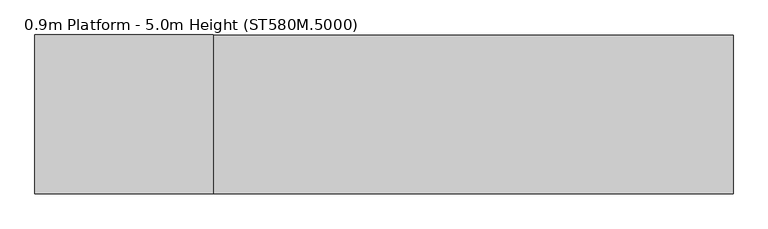
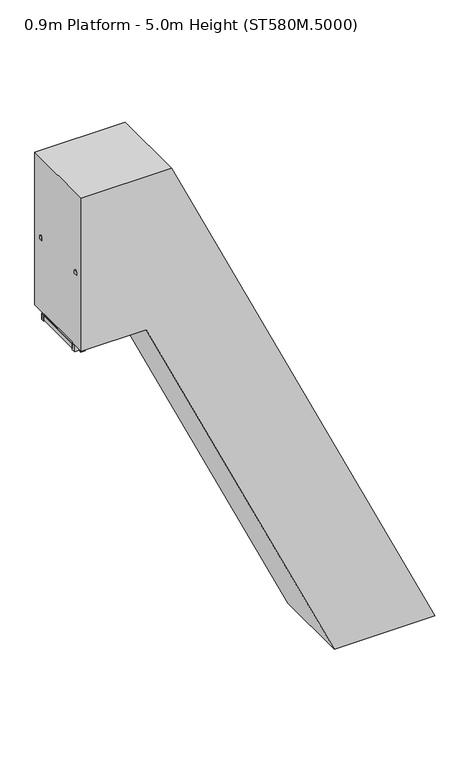
"""IFC4 building model written with IfcOpenShell, lengths in millimetres: proxy geometry, 0.9m Platform - 5.0m Height (ST580M.5000)."""

from ifc_helpers import new_model, si_unit, point, frame, frame_2d, origin, origin_with_axes, place, context, project, spatial, polyline, circle_curve, ellipse_curve, trimmed, segment, composite_curve, outline, extrude, source, transform, mapped, element, save
from ifc_brep_helpers import plane_surface, cylinder_surface, advanced_brep


def proxy_0_9m_platform_5_0m_height_st580m_5000_c4b844a8(model_context):
    return source(origin(), model_context, "Body", "SolidModel", [
        advanced_brep(
        [(-556.8328319, 372.0, 5942.0), (-556.8328319, 372.0, 5987.0), (-544.1016939, 372.0, 5942.0), (-515.4337404, 372.0, 5987.0), (-513.5569732, 372.0, 5876.4977609), (-472.773248, 372.0, 5895.5158512)],
        [
            (0, 1, circle_curve(frame((-556.8328319, 372.0, 5964.5), z_axis=(-1.0, 0.0, 0.0), x_axis=(0.0, 0.0, 1.0)), 22.5)),
            (1, 0, circle_curve(frame((-556.8328319, 372.0, 5964.5), z_axis=(-1.0, 0.0, 0.0), x_axis=(0.0, 0.0, 1.0)), 22.5)),
            (0, 2),
            (2, 3, ellipse_curve(frame((-529.7677171, 372.0, 5964.5), z_axis=(-0.843393214358278, 0.0, 0.5372968322765472), x_axis=(-0.5372968322765467, 0.0, -0.8433932143582782)), 26.6779476, 22.5)),
            (3, 1),
            (3, 2, ellipse_curve(frame((-529.7677171, 372.0, 5964.5), z_axis=(-0.843393214358278, 0.0, 0.5372968322765472), x_axis=(-0.5372968322765467, 0.0, -0.8433932143582782)), 26.6779476, 22.5)),
            (4, 5, circle_curve(frame((-493.1651106, 372.0, 5886.0068061), z_axis=(0.42262422805117583, 0.0, -0.9063050048764751), x_axis=(0.9063050048764751, 0.0, 0.42262422805117583)), 22.5)),
            (5, 4, circle_curve(frame((-493.1651106, 372.0, 5886.0068061), z_axis=(0.42262422805117583, 0.0, -0.9063050048764751), x_axis=(0.9063050048764751, 0.0, 0.42262422805117583)), 22.5)),
            (2, 4),
            (5, 3),
        ],
        [
            plane_surface(frame((-556.8328319, 0.0, 5987.0), z_axis=(-1.0, 0.0, 0.0), x_axis=(0.0, -1.0, 0.0))),
            cylinder_surface(frame((-556.8328319, 372.0, 5964.5), z_axis=(-1.0, 0.0, 0.0), x_axis=(0.0, 0.0, 1.0)), 22.5),
            plane_surface(frame((-472.773248, 0.0, 5895.5158512), z_axis=(0.42262422805117583, 0.0, -0.9063050048764751), x_axis=(0.0, -1.0, 0.0))),
            cylinder_surface(frame((-535.825603, 372.0, 5977.4909549), z_axis=(-0.42262422805117583, 0.0, 0.9063050048764751), x_axis=(0.9063050048764751, 0.0, 0.42262422805117583)), 22.5),
        ],
        [
            (0, [[1, 2]]),
            (1, [[-1, 3, 4, 5]]),
            (1, [[-2, -5, 6, -3]]),
            (2, [[7, 8]]),
            (3, [[-4, 9, -8, 10]]),
            (3, [[-6, -10, -7, -9]]),
        ],
    ),
        advanced_brep(
        [(-556.8328319, -372.0, 5942.0), (-556.8328319, -372.0, 5987.0), (-544.1016939, -372.0, 5942.0), (-515.4337404, -372.0, 5987.0), (-513.5569732, -372.0, 5876.4977609), (-472.773248, -372.0, 5895.5158512)],
        [
            (0, 1, circle_curve(frame((-556.8328319, -372.0, 5964.5), z_axis=(-1.0, 0.0, 0.0), x_axis=(0.0, 0.0, 1.0)), 22.5)),
            (1, 0, circle_curve(frame((-556.8328319, -372.0, 5964.5), z_axis=(-1.0, 0.0, 0.0), x_axis=(0.0, 0.0, 1.0)), 22.5)),
            (0, 2),
            (2, 3, ellipse_curve(frame((-529.7677171, -372.0, 5964.5), z_axis=(-0.843393214358278, 0.0, 0.5372968322765472), x_axis=(-0.5372968322765467, 0.0, -0.8433932143582782)), 26.6779476, 22.5)),
            (3, 1),
            (3, 2, ellipse_curve(frame((-529.7677171, -372.0, 5964.5), z_axis=(-0.843393214358278, 0.0, 0.5372968322765472), x_axis=(-0.5372968322765467, 0.0, -0.8433932143582782)), 26.6779476, 22.5)),
            (4, 5, circle_curve(frame((-493.1651106, -372.0, 5886.0068061), z_axis=(0.42262422805117583, 0.0, -0.9063050048764751), x_axis=(0.9063050048764751, 0.0, 0.42262422805117583)), 22.5)),
            (5, 4, circle_curve(frame((-493.1651106, -372.0, 5886.0068061), z_axis=(0.42262422805117583, 0.0, -0.9063050048764751), x_axis=(0.9063050048764751, 0.0, 0.42262422805117583)), 22.5)),
            (2, 4),
            (5, 3),
        ],
        [
            plane_surface(frame((-556.8328319, 0.0, 5987.0), z_axis=(-1.0, 0.0, 0.0), x_axis=(0.0, -1.0, 0.0))),
            cylinder_surface(frame((-556.8328319, -372.0, 5964.5), z_axis=(-1.0, 0.0, 0.0), x_axis=(0.0, 0.0, 1.0)), 22.5),
            plane_surface(frame((-472.773248, 0.0, 5895.5158512), z_axis=(0.42262422805117583, 0.0, -0.9063050048764751), x_axis=(0.0, -1.0, 0.0))),
            cylinder_surface(frame((-535.825603, -372.0, 5977.4909549), z_axis=(-0.42262422805117583, 0.0, 0.9063050048764751), x_axis=(0.9063050048764751, 0.0, 0.42262422805117583)), 22.5),
        ],
        [
            (0, [[1, 2]]),
            (1, [[-1, 3, 4, 5]]),
            (1, [[-2, -5, 6, -3]]),
            (2, [[7, 8]]),
            (3, [[-4, 9, -8, 10]]),
            (3, [[-6, -10, -7, -9]]),
        ],
    ),
        extrude(outline(polyline([(-1258.8328319, -304.5), (-1296.8328319, -304.5), (-1296.8328319, 304.5), (-1258.8328319, 304.5), (-1258.8328319, -304.5)])), frame((0.0, 0.0, 4923.0), z_axis=(0.0, 0.0, 1.0), x_axis=(1.0, 0.0, 0.0)), (0.0, 0.0, 1.0), 58.0),
        extrude(outline(composite_curve([segment(polyline([(349.5, 5930.0), (349.5, 5964.5)]), True, "CONTINUOUS"), segment(trimmed(circle_curve(frame_2d((372.0, 5964.5)), 22.5), [point((349.5, 5964.5))], [point((394.5, 5964.5))], False, "CARTESIAN"), True, "CONTINUOUS"), segment(polyline([(394.5, 5964.5), (394.5, 5930.0), (349.5, 5930.0)]), True, "CONTINUOUS")], self_intersect=False)), frame((-1296.8328319, 0.0, 0.0), z_axis=(1.0, 0.0, 0.0), x_axis=(0.0, 1.0, 0.0)), (0.0, 0.0, 1.0), 740.0),
        extrude(outline(composite_curve([segment(polyline([(-349.5, 5930.0), (-394.5, 5930.0), (-394.5, 5964.5)]), True, "CONTINUOUS"), segment(trimmed(circle_curve(frame_2d((-372.0, 5964.5)), 22.5), [point((-394.5, 5964.5))], [point((-349.5, 5964.5))], False, "CARTESIAN"), True, "CONTINUOUS"), segment(polyline([(-349.5, 5964.5), (-349.5, 5930.0)]), True, "CONTINUOUS")], self_intersect=False)), frame((-1296.8328319, 0.0, 0.0), z_axis=(1.0, 0.0, 0.0), x_axis=(0.0, 1.0, 0.0)), (0.0, 0.0, 1.0), 740.0),
        extrude(outline(polyline([(-1132.8328319, 353.0), (-1132.8328319, 343.0), (-1292.8328319, 343.0), (-1292.8328319, 353.0), (-1132.8328319, 353.0)])), frame((0.0, 0.0, 4901.0), z_axis=(0.0, 0.0, 1.0), x_axis=(1.0, 0.0, 0.0)), (0.0, 0.0, 1.0), 80.0),
        extrude(outline(polyline([(-1132.8328319, -343.0), (-1132.8328319, -353.0), (-1292.8328319, -353.0), (-1292.8328319, -343.0), (-1132.8328319, -343.0)])), frame((0.0, 0.0, 4901.0), z_axis=(0.0, 0.0, 1.0), x_axis=(1.0, 0.0, 0.0)), (0.0, 0.0, 1.0), 80.0),
        extrude(outline(polyline([(-1183.8328319, 391.0), (-1183.8328319, 353.0), (-1241.8328319, 353.0), (-1241.8328319, 391.0), (-1183.8328319, 391.0)])), frame((0.0, 0.0, 4901.0), z_axis=(0.0, 0.0, 1.0), x_axis=(1.0, 0.0, 0.0)), (0.0, 0.0, 1.0), 1029.0),
        extrude(outline(polyline([(-1183.8328319, -353.0), (-1183.8328319, -391.0), (-1241.8328319, -391.0), (-1241.8328319, -353.0), (-1183.8328319, -353.0)])), frame((0.0, 0.0, 4901.0), z_axis=(0.0, 0.0, 1.0), x_axis=(1.0, 0.0, 0.0)), (0.0, 0.0, 1.0), 1029.0),
        extrude(outline(polyline([(-396.8328319, 343.0), (-396.8328319, 304.5), (-1296.8328319, 304.5), (-1296.8328319, 343.0), (-396.8328319, 343.0)])), frame((0.0, 0.0, 4901.0), z_axis=(0.0, 0.0, 1.0), x_axis=(1.0, 0.0, 0.0)), (0.0, 0.0, 1.0), 80.0),
        extrude(outline(polyline([(-396.8328319, -304.5), (-396.8328319, -343.0), (-1296.8328319, -343.0), (-1296.8328319, -304.5), (-396.8328319, -304.5)])), frame((0.0, 0.0, 4901.0), z_axis=(0.0, 0.0, 1.0), x_axis=(1.0, 0.0, 0.0)), (0.0, 0.0, 1.0), 80.0),
        extrude(outline(polyline([(-399.8328319, 297.5), (-399.8328319, -297.5), (-1293.8328319, -297.5), (-1293.8328319, 297.5), (-399.8328319, 297.5)])), frame((0.0, 0.0, 4984.0), z_axis=(0.0, 0.0, 1.0), x_axis=(1.0, 0.0, 0.0)), (0.0, 0.0, 1.0), 13.0),
        extrude(outline(polyline([(5000.0, -414.8328319), (4997.0, -414.8328319), (4997.0, -399.8328319), (4984.0, -399.8328319), (4984.0, -414.8328319), (4981.0, -414.8328319), (4981.0, -396.8328319), (5000.0, -396.8328319), (5000.0, -414.8328319)])), frame((0.0, -297.5, 0.0), z_axis=(0.0, 1.0, 0.0), x_axis=(0.0, 0.0, 1.0)), (0.0, 0.0, 1.0), 595.0),
        extrude(outline(polyline([(5000.0, -1278.8328319), (5000.0, -1296.8328319), (4981.0, -1296.8328319), (4981.0, -1278.8328319), (4984.0, -1278.8328319), (4984.0, -1293.8328319), (4997.0, -1293.8328319), (4997.0, -1278.8328319), (5000.0, -1278.8328319)])), frame((0.0, -297.5, 0.0), z_axis=(0.0, 1.0, 0.0), x_axis=(0.0, 0.0, 1.0)), (0.0, 0.0, 1.0), 595.0),
        extrude(outline(polyline([(4981.0, -287.140843), (4981.0, -476.8328319), (4901.0, -476.8328319), (4901.0, -249.8362303), (4981.0, -287.140843)])), frame((0.0, 344.0, 0.0), z_axis=(0.0, 1.0, 0.0), x_axis=(0.0, 0.0, 1.0)), (0.0, 0.0, 1.0), 6.0),
        extrude(outline(polyline([(4981.0, -284.7751404), (4981.0, -476.8328319), (4901.0, -476.8328319), (4901.0, -247.4705278), (4981.0, -284.7751404)])), frame((0.0, -350.0, 0.0), z_axis=(0.0, 1.0, 0.0), x_axis=(0.0, 0.0, 1.0)), (0.0, 0.0, 1.0), 6.0),
        extrude(outline(polyline([(-304.5, 79.9999999), (-304.5, 0.0), (-343.0, 0.0), (-343.0, 79.9999999), (-304.5, 79.9999999)])), frame((1946.8352254, 0.0, 6.0), z_axis=(-0.42261826174069755, 0.0, 0.9063077870366509), x_axis=(0.0, -1.0, 0.0)), (0.0, 0.0, 1.0), 5510.2693273),
        extrude(outline(polyline([(343.0, 79.9999999), (343.0, 0.0), (304.5, 0.0), (304.5, 79.9999999), (343.0, 79.9999999)])), frame((1946.8352254, 0.0, 6.0), z_axis=(-0.42261826174069755, 0.0, 0.9063077870366509), x_axis=(0.0, -1.0, 0.0)), (0.0, 0.0, 1.0), 5510.2693273),
        extrude(outline(polyline([(141.9461681, 1971.7127196), (108.1367071, 1899.2080967), (6.0, 1946.8352254), (6.0, 2035.1054589), (141.9461681, 1971.7127196)])), frame((0.0, 344.0, 0.0), z_axis=(0.0, 1.0, 0.0), x_axis=(0.0, 0.0, 1.0)), (0.0, 0.0, 1.0), 6.0),
        extrude(outline(polyline([(141.9461681, 1971.7127196), (108.1367071, 1899.2080967), (6.0, 1946.8352254), (6.0, 2035.1054589), (141.9461681, 1971.7127196)])), frame((0.0, -350.0, 0.0), z_axis=(0.0, 1.0, 0.0), x_axis=(0.0, 0.0, 1.0)), (0.0, 0.0, 1.0), 6.0),
        extrude(outline(polyline([(2041.0054589, 358.0), (2041.0054589, -358.0), (1941.0054589, -358.0), (1941.0054589, 358.0), (2041.0054589, 358.0)])), origin_with_axes(), (0.0, 0.0, 1.0), 6.0),
        extrude(outline(polyline([(5000.0, -493.6655951), (0.0, 1837.9047444), (0.0, 3086.1151565), (7000.0, -178.0833188), (7000.0, -1296.8328319), (5000.0, -1296.8328319), (5000.0, -493.6655951)])), frame((0.0, -498.0, 0.0), z_axis=(0.0, 1.0, 0.0), x_axis=(0.0, 0.0, 1.0)), (0.0, 0.0, 1.0), 996.0),
    ])


if __name__ == "__main__":
    model = new_model("IFC4")
    model_context = context("Model", 3, world=origin())
    ifc_project = project(units=[si_unit("LENGTHUNIT", "METRE", prefix="MILLI")], contexts=[model_context])
    site = spatial("IfcSite", under=ifc_project)
    building = spatial("IfcBuilding", under=site)
    placement = place(None, origin())
    proxy_0_9m_platform_5_0m_height_st580m_5000_shape = proxy_0_9m_platform_5_0m_height_st580m_5000_c4b844a8(model_context)
    element("IfcBuildingElementProxy", 1, Name="0.9m Platform - 5.0m Height (ST580M.5000)", ObjectType="0.9m Platform - 5.0m Height (ST580M.5000)", at=placement, inside=building, context=model_context, shape_type="MappedRepresentation", body=[
        mapped(proxy_0_9m_platform_5_0m_height_st580m_5000_shape, transform((0.0, 0.0, 0.0), x_axis=(1.0, 0.0, 0.0), y_axis=(0.0, 1.0, 0.0), z_axis=(0.0, 0.0, 1.0))),
    ])
    save(model, "model.ifc")
